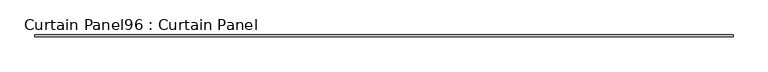
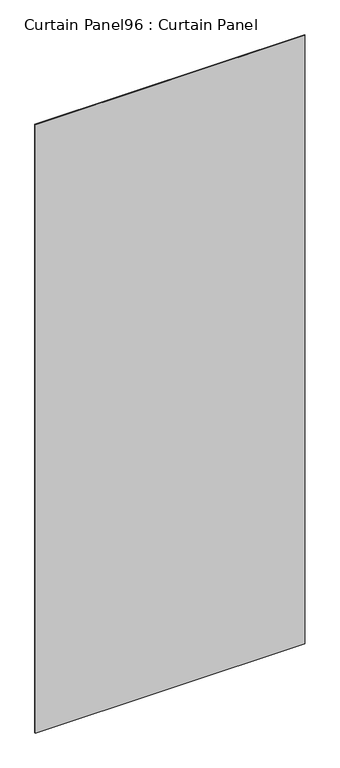
"""IFC4 building model written with IfcOpenShell, lengths in millimetres: plate geometry, Curtain Panel96 : Curtain Panel."""

from ifc_helpers import new_model, si_unit, frame, origin, place, context, project, spatial, polyline, outline, extrude, source, transform, mapped, element, save


def curtain_panel96_curtain_panel_937cdbfc(model_context):
    return source(origin(), model_context, "Body", "SweptSolid", [
        extrude(outline(polyline([(211848.3386393, 2439.8484836), (209293.6621193, 2439.8484836), (209293.6621193, 2446.1984836), (211848.3386393, 2446.1984836), (211848.3386393, 2439.8484836)])), frame((0.0, 0.0, 4914.2249337), z_axis=(0.0, 0.0, 1.0), x_axis=(1.0, 0.0, 0.0)), (0.0, 0.0, 1.0), 6096.0),
    ])


if __name__ == "__main__":
    model = new_model("IFC4")
    model_context = context("Model", 3, world=origin())
    ifc_project = project(units=[si_unit("LENGTHUNIT", "METRE", prefix="MILLI")], contexts=[model_context])
    site = spatial("IfcSite", under=ifc_project)
    building = spatial("IfcBuilding", under=site)
    placement = place(None, origin())
    curtain_panel96_curtain_panel_shape = curtain_panel96_curtain_panel_937cdbfc(model_context)
    element("IfcPlate", 1, ObjectType="Curtain Panel96 : Curtain Panel", at=placement, inside=building, context=model_context, shape_type="MappedRepresentation", body=[
        mapped(curtain_panel96_curtain_panel_shape, transform((0.0, 0.0, 0.0), x_axis=(1.0, 0.0, 0.0), y_axis=(0.0, 1.0, 0.0), z_axis=(0.0, 0.0, 1.0))),
    ])
    save(model, "model.ifc")
